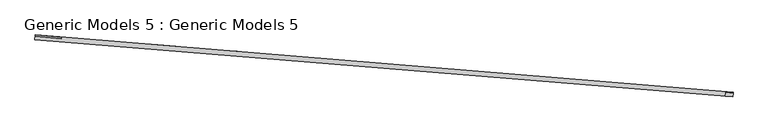
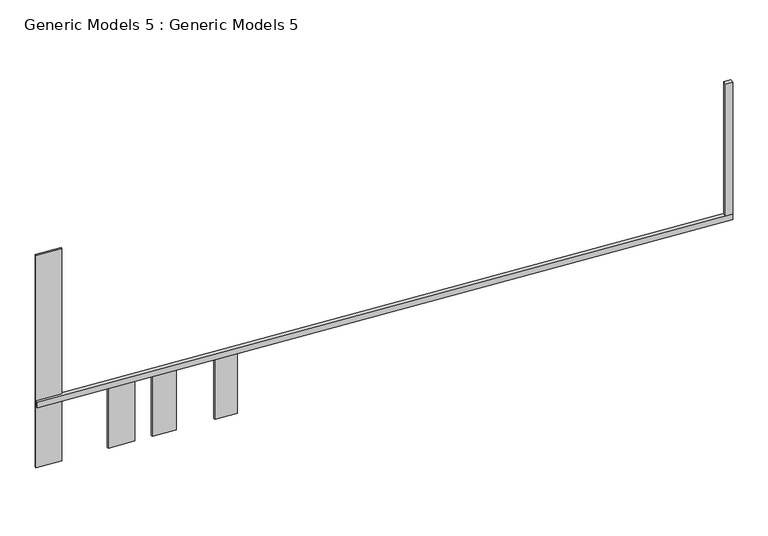
"""IFC4 building model written with IfcOpenShell, lengths in millimetres: proxy geometry, Generic Models 5 : Generic Models 5."""

from ifc_helpers import new_model, si_unit, frame, origin, origin_with_axes, place, context, project, spatial, polyline, outline, extrude, source, transform, mapped, element, save


def generic_models_5_generic_models_5_a73e4718(model_context):
    return source(origin(), model_context, "Body", "SweptSolid", [
        extrude(outline(polyline([(-284457.0434718, 7334.3961747), (-284848.0216557, 7366.4317993), (-284831.6889672, 7565.7637919), (-284440.7107833, 7533.7281673), (-284457.0434718, 7334.3961747)])), frame((0.0, 0.0, 3999.9811358), z_axis=(0.0, 0.0, 1.0), x_axis=(1.0, 0.0, 0.0)), (0.0, 0.0, 1.0), 7883.836386),
        extrude(outline(polyline([(-284457.0434718, 7334.3961747), (-321900.3827942, 10402.3953888), (-321879.9669336, 10651.5603795), (-284436.6276112, 7583.5611655), (-284457.0434718, 7334.3961747)])), frame((0.0, 0.0, 3680.0), z_axis=(0.0, 0.0, 1.0), x_axis=(1.0, 0.0, 0.0)), (0.0, 0.0, 1.0), 319.9811358),
        extrude(outline(polyline([(-320499.5046488, 10456.7103733), (-321886.6197193, 10570.3665809), (-321879.9669336, 10651.5603795), (-320492.8518631, 10537.904172), (-320499.5046488, 10456.7103733)])), origin_with_axes(), (0.0, 0.0, 1.0), 12680.0),
        extrude(outline(polyline([(-316556.7167828, 10133.6497091), (-318008.1822826, 10252.5786052), (-318001.529497, 10333.7724038), (-316550.0639972, 10214.8435077), (-316556.7167828, 10133.6497091)])), origin_with_axes(), (0.0, 0.0, 1.0), 3785.9851699),
        extrude(outline(polyline([(-314338.1441094, 9951.8662639), (-315631.6260391, 10057.850442), (-315624.9732534, 10139.0442407), (-314331.4913238, 10033.0600626), (-314338.1441094, 9951.8662639)])), origin_with_axes(), (0.0, 0.0, 1.0), 3794.8083315),
        extrude(outline(polyline([(-311050.6254676, 9682.4964697), (-312269.5917964, 9782.3750544), (-312262.9390108, 9863.5688531), (-311043.9726819, 9763.6902684), (-311050.6254676, 9682.4964697)])), origin_with_axes(), (0.0, 0.0, 1.0), 3807.2901617),
    ])


if __name__ == "__main__":
    model = new_model("IFC4")
    model_context = context("Model", 3, world=origin())
    ifc_project = project(units=[si_unit("LENGTHUNIT", "METRE", prefix="MILLI")], contexts=[model_context])
    site = spatial("IfcSite", under=ifc_project)
    building = spatial("IfcBuilding", under=site)
    placement = place(None, origin())
    generic_models_5_generic_models_5_shape = generic_models_5_generic_models_5_a73e4718(model_context)
    element("IfcBuildingElementProxy", 1, Name="Generic Models 5 : Generic Models 5", ObjectType="Generic Models 5 : Generic Models 5", at=placement, inside=building, context=model_context, shape_type="MappedRepresentation", body=[
        mapped(generic_models_5_generic_models_5_shape, transform((0.0, 0.0, 0.0), x_axis=(1.0, 0.0, 0.0), y_axis=(0.0, 1.0, 0.0), z_axis=(0.0, 0.0, 1.0))),
    ])
    save(model, "model.ifc")
